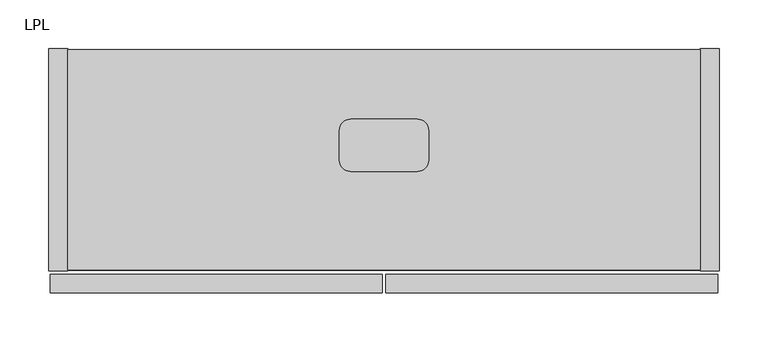
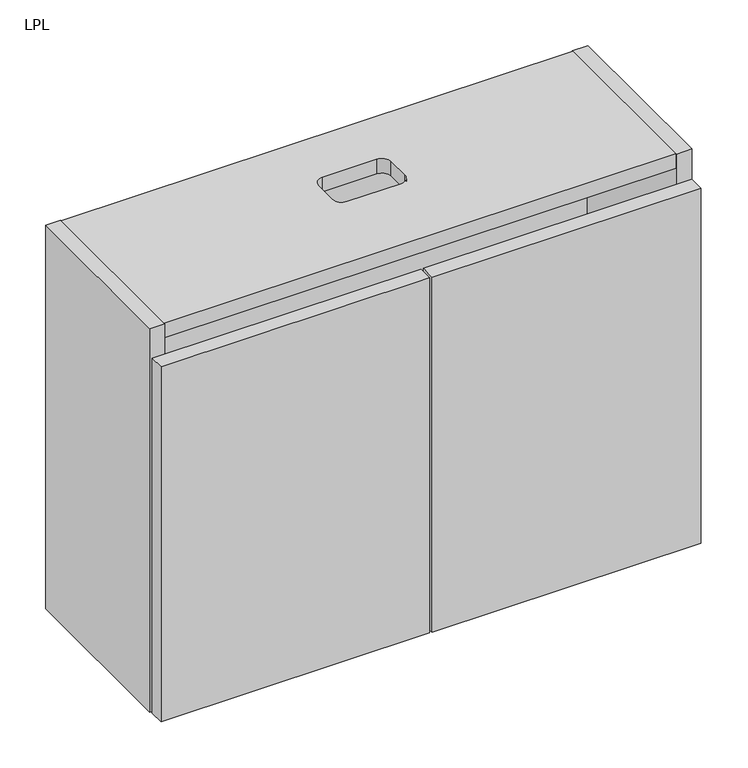
"""IFC4 building model written with IfcOpenShell, lengths in millimetres: furniture geometry, LPL."""

from ifc_helpers import new_model, si_unit, point, frame, frame_2d, origin, place, context, project, spatial, polyline, circle_curve, trimmed, segment, composite_curve, outline, extrude, source, transform, mapped, element, save


def lpl_1b5b297f(model_context):
    return source(origin(), model_context, "Body", "SweptSolid", [
        extrude(outline(polyline([(-0.762, 609.346), (-12.7, 622.046), (-12.7, 691.896), (-0.762, 691.896), (-0.762, 609.346)])), frame((86.106, 0.0, 0.0), z_axis=(1.0, 0.0, 0.0), x_axis=(0.0, 1.0, 0.0)), (0.0, 0.0, 1.0), 513.588),
        extrude(outline(polyline([(666.496, -226.7204), (19.304, -226.7204), (19.304, -0.9906), (666.496, -0.9906), (666.496, -226.7204)]), holes=[composite_curve([segment(polyline([(377.1138, -72.263), (308.6862, -72.263)]), True, "CONTINUOUS"), segment(trimmed(circle_curve(frame_2d((308.6862, -83.7692)), 11.5062), [point((308.6862, -72.263))], [point((297.18, -83.7692))], True, "CARTESIAN"), True, "CONTINUOUS"), segment(polyline([(297.18, -83.7692), (297.18, -114.0968)]), True, "CONTINUOUS"), segment(trimmed(circle_curve(frame_2d((308.6862, -114.0968)), 11.5062), [point((297.18, -114.0968))], [point((308.6862, -125.603))], True, "CARTESIAN"), True, "CONTINUOUS"), segment(polyline([(308.6862, -125.603), (377.1138, -125.603)]), True, "CONTINUOUS"), segment(trimmed(circle_curve(frame_2d((377.1138, -114.0968)), 11.5062), [point((377.1138, -125.603))], [point((388.62, -114.0968))], True, "CARTESIAN"), True, "CONTINUOUS"), segment(polyline([(388.62, -114.0968), (388.62, -83.7692)]), True, "CONTINUOUS"), segment(trimmed(circle_curve(frame_2d((377.1138, -83.7692)), 11.5062), [point((388.62, -83.7692))], [point((377.1138, -72.263))], True, "CARTESIAN"), True, "CONTINUOUS")], self_intersect=False)]), frame((0.0, 0.0, 691.896), z_axis=(0.0, 0.0, 1.0), x_axis=(1.0, 0.0, 0.0)), (0.0, 0.0, 1.0), 19.304),
        extrude(outline(polyline([(666.496, -12.7), (666.496, -32.004), (19.304, -32.004), (19.304, -12.7), (666.496, -12.7)])), frame((0.0, 0.0, 202.946), z_axis=(0.0, 0.0, 1.0), x_axis=(1.0, 0.0, 0.0)), (0.0, 0.0, 1.0), 488.95),
        extrude(outline(polyline([(666.496, -226.7204), (19.304, -226.7204), (19.304, -63.754), (666.496, -63.754), (666.496, -226.7204)])), frame((0.0, 0.0, 198.628), z_axis=(0.0, 0.0, 1.0), x_axis=(1.0, 0.0, 0.0)), (0.0, 0.0, 1.0), 20.8915),
        extrude(outline(polyline([(341.3125, -230.886), (341.3125, -250.19), (1.5875, -250.19), (1.5875, -230.886), (341.3125, -230.886)])), frame((0.0, 0.0, 198.628), z_axis=(0.0, 0.0, 1.0), x_axis=(1.0, 0.0, 0.0)), (0.0, 0.0, 1.0), 474.472),
        extrude(outline(polyline([(344.4875, -230.886), (684.2125, -230.886), (684.2125, -250.19), (344.4875, -250.19), (344.4875, -230.886)])), frame((0.0, 0.0, 198.628), z_axis=(0.0, 0.0, 1.0), x_axis=(1.0, 0.0, 0.0)), (0.0, 0.0, 1.0), 474.472),
        extrude(outline(polyline([(19.304, 0.0), (19.304, -227.711), (0.0, -227.711), (0.0, 0.0), (19.304, 0.0)])), frame((0.0, 0.0, 198.628), z_axis=(0.0, 0.0, 1.0), x_axis=(1.0, 0.0, 0.0)), (0.0, 0.0, 1.0), 512.572),
        extrude(outline(polyline([(666.496, 0.0), (685.8, 0.0), (685.8, -227.711), (666.496, -227.711), (666.496, 0.0)])), frame((0.0, 0.0, 198.628), z_axis=(0.0, 0.0, 1.0), x_axis=(1.0, 0.0, 0.0)), (0.0, 0.0, 1.0), 512.572),
    ])


if __name__ == "__main__":
    model = new_model("IFC4")
    model_context = context("Model", 3, world=origin())
    ifc_project = project(units=[si_unit("LENGTHUNIT", "METRE", prefix="MILLI")], contexts=[model_context])
    site = spatial("IfcSite", under=ifc_project)
    building = spatial("IfcBuilding", under=site)
    placement = place(None, origin())
    lpl_shape = lpl_1b5b297f(model_context)
    element("IfcFurniture", 1, ObjectType="LPL", at=placement, inside=building, context=model_context, shape_type="MappedRepresentation", body=[
        mapped(lpl_shape, transform((0.0, 0.0, 0.0), x_axis=(1.0, 0.0, 0.0), y_axis=(0.0, 1.0, 0.0), z_axis=(0.0, 0.0, 1.0))),
    ])
    save(model, "model.ifc")
